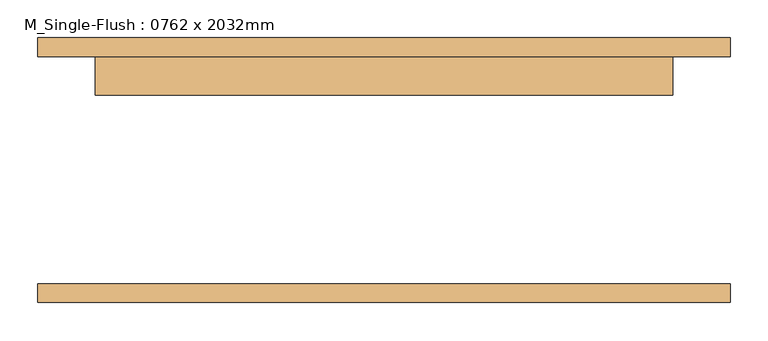
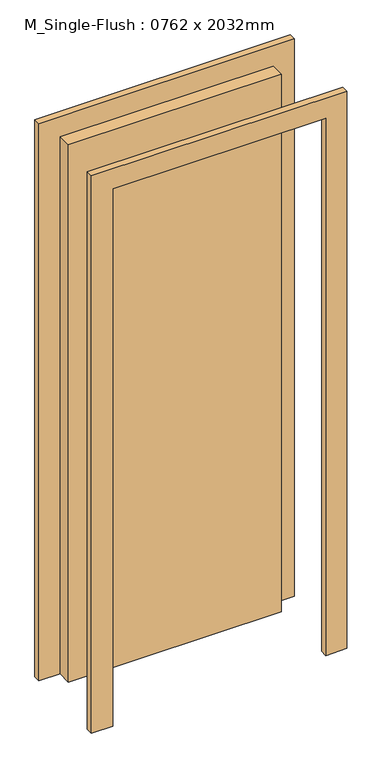
"""IFC4 building model written with IfcOpenShell, lengths in millimetres: door geometry, M_Single-Flush : 0762 x 2032mm."""

from ifc_helpers import new_model, si_unit, frame, origin, origin_with_axes, place, context, project, spatial, polyline, outline, extrude, source, transform, mapped, element, save


def m_single_flush_0762_x_2032mm_69b6b646(model_context):
    return source(origin(), model_context, "Body", "SweptSolid", [
        extrude(outline(polyline([(2108.0, -457.0), (0.0, -457.0), (0.0, -381.0), (2032.0, -381.0), (2032.0, 381.0), (0.0, 381.0), (0.0, 457.0), (2108.0, 457.0), (2108.0, -457.0)])), frame((0.0, 150.0, 0.0), z_axis=(0.0, 1.0, 0.0), x_axis=(0.0, 0.0, 1.0)), (0.0, 0.0, 1.0), 25.0),
        extrude(outline(polyline([(2108.0, 457.0), (2108.0, -457.0), (0.0, -457.0), (0.0, -381.0), (2032.0, -381.0), (2032.0, 381.0), (0.0, 381.0), (0.0, 457.0), (2108.0, 457.0)])), frame((0.0, -175.0, 0.0), z_axis=(0.0, 1.0, 0.0), x_axis=(0.0, 0.0, 1.0)), (0.0, 0.0, 1.0), 25.0),
        extrude(outline(polyline([(381.0, 99.0), (-381.0, 99.0), (-381.0, 150.0), (381.0, 150.0), (381.0, 99.0)])), origin_with_axes(), (0.0, 0.0, 1.0), 2032.0),
    ])


if __name__ == "__main__":
    model = new_model("IFC4")
    model_context = context("Model", 3, world=origin())
    ifc_project = project(units=[si_unit("LENGTHUNIT", "METRE", prefix="MILLI")], contexts=[model_context])
    site = spatial("IfcSite", under=ifc_project)
    building = spatial("IfcBuilding", under=site)
    placement = place(None, origin())
    m_single_flush_0762_x_2032mm_shape = m_single_flush_0762_x_2032mm_69b6b646(model_context)
    element("IfcDoor", 1, ObjectType="M_Single-Flush : 0762 x 2032mm", at=placement, inside=building, context=model_context, shape_type="MappedRepresentation", body=[
        mapped(m_single_flush_0762_x_2032mm_shape, transform((0.0, 0.0, 0.0), x_axis=(1.0, 0.0, 0.0), y_axis=(0.0, 1.0, 0.0), z_axis=(0.0, 0.0, 1.0))),
    ])
    save(model, "model.ifc")
